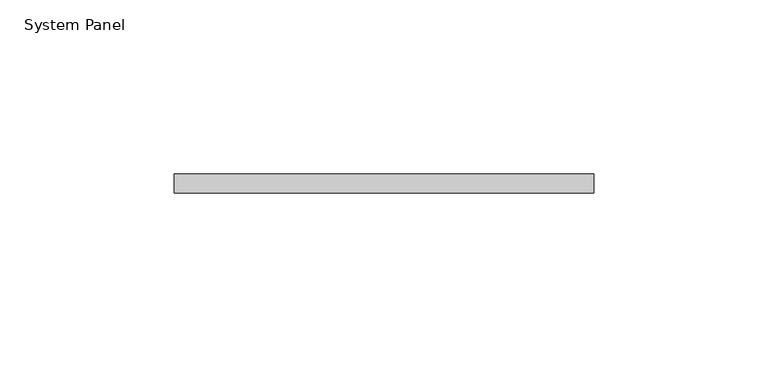
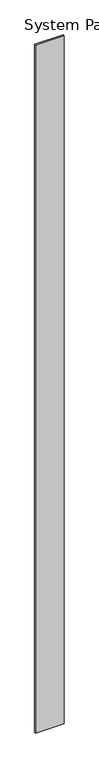
"""IFC4 building model written with IfcOpenShell, lengths in millimetres: plate geometry, System Panel."""

import ifcopenshell
import ifcopenshell.guid

model = None  # the IFC model being written
_history = None  # IfcOwnerHistory: only IFC2X3 demands one
_inside = {}  # id of a spatial element -> (the spatial element, [elements in it])
_under = {}  # id of a project, library or spatial element -> (it, [spatial elements below it])
_declared = {}  # id of a project -> (the project, [libraries it declares])
_typed = {}  # id of a type object -> (the type object, [elements of that type])
_made_of = {}  # id of a material, layer set ... -> (it, [elements and type objects made of it])


def new_model(schema):
    """Start an empty IFC model of exactly this schema.

    Asked for "IFC4X3", IfcOpenShell would pick the latest addendum, in which some entities
    have other attributes; the version numbers below select the first issue.
    IFC2X3 requires an IfcOwnerHistory on every rooted entity: one is made here for all.
    """
    global model, _history
    if schema == "IFC4X3":
        model = ifcopenshell.file(schema_version=(4, 3, 0, 0))
    else:
        model = ifcopenshell.file(schema=schema)
    _inside.clear()
    _under.clear()
    _declared.clear()
    _typed.clear()
    _made_of.clear()
    _history = None
    if model.schema == "IFC2X3":
        org = make("IfcOrganization", Name="unknown")
        user = make(
            "IfcPersonAndOrganization",
            ThePerson=make("IfcPerson", FamilyName="unknown"),
            TheOrganization=org,
        )
        app = make(
            "IfcApplication",
            ApplicationDeveloper=org,
            Version="unknown",
            ApplicationFullName="unknown",
            ApplicationIdentifier="unknown",
        )
        _history = make(
            "IfcOwnerHistory",
            OwningUser=user,
            OwningApplication=app,
            ChangeAction="ADDED",
            CreationDate=0,
        )
    return model


def make(cls, **values):
    """One entity of the class cls with the attributes given. An attribute that is None is left unset."""
    return model.create_entity(
        cls, **{name: value for name, value in values.items() if value is not None}
    )


def rooted(cls, **values):
    """An entity with a GlobalId (a new one), such as an element, a storey or a relation."""
    return make(cls, GlobalId=ifcopenshell.guid.new(), OwnerHistory=_history, **values)


def si_unit(unit_type, name, prefix=None):
    """IfcSIUnit, for example si_unit("LENGTHUNIT", "METRE", prefix="MILLI")."""
    return make("IfcSIUnit", UnitType=unit_type, Prefix=prefix, Name=name)


def assignment(units):
    """IfcUnitAssignment: the units of a project."""
    return None if units is None else make("IfcUnitAssignment", Units=units)


def point(xyz):
    """IfcCartesianPoint."""
    return None if xyz is None else make("IfcCartesianPoint", Coordinates=xyz)


def direction(xyz):
    """IfcDirection."""
    return None if xyz is None else make("IfcDirection", DirectionRatios=xyz)


def frame(location, z_axis=None, x_axis=None):
    """IfcAxis2Placement3D, a coordinate frame: its origin and axes. An axis left out is left unset."""
    return make(
        "IfcAxis2Placement3D",
        Location=point(location),
        Axis=direction(z_axis),
        RefDirection=direction(x_axis),
    )


def origin():
    """The frame at (0, 0, 0) with its axes left unset."""
    return frame((0.0, 0.0, 0.0))


def origin_with_axes():
    """The frame at (0, 0, 0) with the z axis (0, 0, 1) and the x axis (1, 0, 0) written out."""
    return frame((0.0, 0.0, 0.0), z_axis=(0.0, 0.0, 1.0), x_axis=(1.0, 0.0, 0.0))


def place(relative_to, where):
    """IfcLocalPlacement: puts the frame where relative to a parent placement (None: the world)."""
    return make(
        "IfcLocalPlacement", PlacementRelTo=relative_to, RelativePlacement=where
    )


def context(
    kind, dimensions, precision=None, world=None, true_north=None, identifier=None
):
    """IfcGeometricRepresentationContext, for example the 3D "Model" context."""
    return make(
        "IfcGeometricRepresentationContext",
        ContextIdentifier=identifier,
        ContextType=kind,
        CoordinateSpaceDimension=dimensions,
        Precision=precision,
        WorldCoordinateSystem=world,
        TrueNorth=true_north,
    )


def project(units=None, contexts=None):
    """IfcProject with its units and contexts."""
    return rooted(
        "IfcProject",
        Name="project",
        RepresentationContexts=contexts,
        UnitsInContext=assignment(units),
    )


def spatial(cls, under=None, at=None, **own):
    """A site, building, storey or space (cls), placed at a placement, below another one or the project."""
    s = rooted(cls, ObjectPlacement=at, **own)
    if under is not None:
        _under.setdefault(under.id(), (under, []))[1].append(s)
    return s


def polyline(points):
    """IfcPolyline through the points."""
    return make("IfcPolyline", Points=[point(p) for p in points])


def outline(outer, holes=None, kind="AREA"):
    """IfcArbitraryClosedProfileDef: a profile drawn as a closed curve; with holes, ...WithVoids."""
    if holes is None:
        return make("IfcArbitraryClosedProfileDef", ProfileType=kind, OuterCurve=outer)
    return make(
        "IfcArbitraryProfileDefWithVoids",
        ProfileType=kind,
        OuterCurve=outer,
        InnerCurves=holes,
    )


def extrude(swept, where, along, depth):
    """IfcExtrudedAreaSolid: the profile swept, set in the frame where, extruded along a direction by depth."""
    return make(
        "IfcExtrudedAreaSolid",
        SweptArea=swept,
        Position=where,
        ExtrudedDirection=direction(along),
        Depth=depth,
    )


def shape(context_of_items, identifier, shape_type, items):
    """IfcShapeRepresentation: the items that make up one representation, for example the "Body"."""
    return make(
        "IfcShapeRepresentation",
        ContextOfItems=context_of_items,
        RepresentationIdentifier=identifier,
        RepresentationType=shape_type,
        Items=items,
    )


def source(mapping_origin, context_of_items, identifier, shape_type, items):
    """IfcRepresentationMap: a shape defined once, which mapped items show again and again."""
    return make(
        "IfcRepresentationMap",
        MappingOrigin=mapping_origin,
        MappedRepresentation=shape(context_of_items, identifier, shape_type, items),
    )


def transform(
    local_origin,
    x_axis=None,
    y_axis=None,
    z_axis=None,
    scale=None,
    scale2=None,
    scale3=None,
    uniform=True,
):
    """IfcCartesianTransformationOperator3D, or its non-uniform kind. x_axis, y_axis, z_axis: its Axis1, 2, 3."""
    if uniform:
        return make(
            "IfcCartesianTransformationOperator3D",
            Axis1=direction(x_axis),
            Axis2=direction(y_axis),
            LocalOrigin=point(local_origin),
            Scale=scale,
            Axis3=direction(z_axis),
        )
    return make(
        "IfcCartesianTransformationOperator3DnonUniform",
        Axis1=direction(x_axis),
        Axis2=direction(y_axis),
        LocalOrigin=point(local_origin),
        Scale=scale,
        Axis3=direction(z_axis),
        Scale2=scale2,
        Scale3=scale3,
    )


def mapped(mapping_source, mapping_target):
    """IfcMappedItem: shows the shape of a source again, moved by a transform."""
    return make(
        "IfcMappedItem", MappingSource=mapping_source, MappingTarget=mapping_target
    )


def made_of(thing, what):
    """Note that an element or type object is made of a material, layer set ...; save() writes the relation."""
    if what is not None:
        _made_of.setdefault(what.id(), (what, []))[1].append(thing)
    return thing


def element(
    cls,
    number,
    at=None,
    inside=None,
    cuts=None,
    type_object=None,
    material=None,
    context=None,
    identifier="Body",
    shape_type=None,
    held_by="IfcProductDefinitionShape",
    body=None,
    shapes=None,
    **own,
):
    """One element of the class cls, such as IfcWall. Its Tag is "e" and its number.

    at: its placement. inside: the storey or other place that contains it. cuts: it is an
    opening in that element (IfcRelVoidsElement). A single representation is given by context,
    identifier, shape_type and body (its items); several are given by shapes. held_by: the class
    of the entity that holds the representations. save() writes the other relations.
    """
    e = rooted(cls, Tag="e%d" % number, ObjectPlacement=at, **own)
    if body is not None:
        shapes = [shape(context, identifier, shape_type, body)]
    if shapes is not None:
        e.Representation = make(held_by, Representations=shapes)
    if inside is not None:
        _inside.setdefault(inside.id(), (inside, []))[1].append(e)
    if cuts is not None:
        rooted(
            "IfcRelVoidsElement", RelatingBuildingElement=cuts, RelatedOpeningElement=e
        )
    if type_object is not None:
        _typed.setdefault(type_object.id(), (type_object, []))[1].append(e)
    return made_of(e, material)


def aggregate(whole, parts):
    """IfcRelAggregates: a whole, such as a stair, and the parts it consists of."""
    return rooted("IfcRelAggregates", RelatingObject=whole, RelatedObjects=parts)


def save(model, path):
    """Write the relations noted so far, then the file.

    IfcRelAggregates (storeys below a building ...), IfcRelContainedInSpatialStructure (elements
    in a storey), IfcRelDefinesByType, IfcRelAssociatesMaterial and IfcRelDeclares: one each for
    every whole, place, type object, material and project.
    """
    for whole, parts in _under.values():
        aggregate(whole, parts)
    for where, things in _inside.values():
        rooted(
            "IfcRelContainedInSpatialStructure",
            RelatedElements=things,
            RelatingStructure=where,
        )
    for kind, things in _typed.values():
        rooted("IfcRelDefinesByType", RelatedObjects=things, RelatingType=kind)
    for what, things in _made_of.values():
        rooted("IfcRelAssociatesMaterial", RelatedObjects=things, RelatingMaterial=what)
    for by, libraries in _declared.values():
        rooted("IfcRelDeclares", RelatingContext=by, RelatedDefinitions=libraries)
    model.write(path)


def system_panel_d4771cdb(model_context):
    return source(origin(), model_context, "Body", "SweptSolid", [
        extrude(outline(polyline([(60.325, 7.9375), (-60.325, 7.9375), (-60.325, 13.49375), (60.325, 13.49375), (60.325, 7.9375)])), origin_with_axes(), (0.0, 0.0, 1.0), 3048.0),
    ])


if __name__ == "__main__":
    model = new_model("IFC4")
    model_context = context("Model", 3, world=origin())
    ifc_project = project(units=[si_unit("LENGTHUNIT", "METRE", prefix="MILLI")], contexts=[model_context])
    site = spatial("IfcSite", under=ifc_project)
    building = spatial("IfcBuilding", under=site)
    placement = place(None, origin())
    system_panel_shape = system_panel_d4771cdb(model_context)
    element("IfcPlate", 1, ObjectType="System Panel", at=placement, inside=building, context=model_context, shape_type="MappedRepresentation", body=[
        mapped(system_panel_shape, transform((0.0, 0.0, 0.0), x_axis=(1.0, 0.0, 0.0), y_axis=(0.0, 1.0, 0.0), z_axis=(0.0, 0.0, 1.0))),
    ])
    save(model, "model.ifc")
